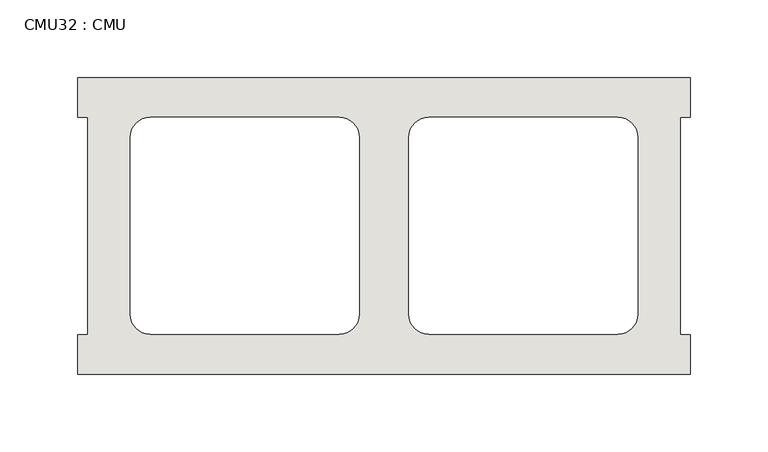
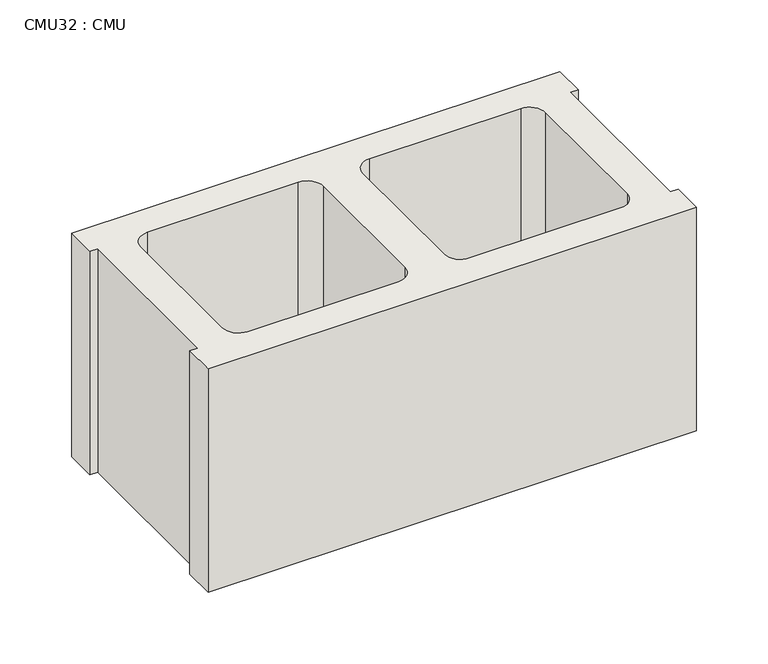
"""IFC4 building model written with IfcOpenShell, lengths in millimetres: wall geometry, CMU32 : CMU."""

from ifc_helpers import new_model, si_unit, point, frame, frame_2d, origin, place, context, project, spatial, polyline, circle_curve, trimmed, segment, composite_curve, outline, extrude, source, transform, mapped, element, save


def cmu32_cmu_e3f23cff(model_context):
    return source(origin(), model_context, "Body", "SweptSolid", [
        extrude(outline(polyline([(-51.0939032, 2871.3003704), (342.6060968, 2871.3003704), (342.6060968, 2845.9003704), (336.2560968, 2845.9003704), (336.2560968, 2706.2003704), (342.6060968, 2706.2003704), (342.6060968, 2680.8003704), (-51.0939032, 2680.8003704), (-51.0939032, 2706.2003704), (-44.7439032, 2706.2003704), (-44.7439032, 2845.9003704), (-51.0939032, 2845.9003704), (-51.0939032, 2871.3003704)]), holes=[composite_curve([segment(polyline([(117.0740955, 2845.9003704), (-4.6425546, 2845.9003704)]), True, "CONTINUOUS"), segment(trimmed(circle_curve(frame_2d((-4.6425546, 2833.2003704)), 12.7), [point((-4.6425546, 2845.9003704))], [point((-17.3425546, 2833.2003704))], True, "CARTESIAN"), True, "CONTINUOUS"), segment(polyline([(-17.3425546, 2833.2003704), (-17.3425546, 2719.1345307)]), True, "CONTINUOUS"), segment(trimmed(circle_curve(frame_2d((-4.6425546, 2719.1345307)), 12.7), [point((-17.3425546, 2719.1345307))], [point((-4.6425546, 2706.4345307))], True, "CARTESIAN"), True, "CONTINUOUS"), segment(polyline([(-4.6425546, 2706.4345307), (117.0740955, 2706.4345307)]), True, "CONTINUOUS"), segment(trimmed(circle_curve(frame_2d((117.0740955, 2719.1345307)), 12.7), [point((117.0740955, 2706.4345307))], [point((129.7740955, 2719.1345307))], True, "CARTESIAN"), True, "CONTINUOUS"), segment(polyline([(129.7740955, 2719.1345307), (129.7740955, 2833.2003704)]), True, "CONTINUOUS"), segment(trimmed(circle_curve(frame_2d((117.0740955, 2833.2003704)), 12.7), [point((129.7740955, 2833.2003704))], [point((117.0740955, 2845.9003704))], True, "CARTESIAN"), True, "CONTINUOUS")], self_intersect=False), composite_curve([segment(trimmed(circle_curve(frame_2d((174.4380982, 2833.2003704)), 12.7), [point((174.4380982, 2845.9003704))], [point((161.7380982, 2833.2003704))], True, "CARTESIAN"), True, "CONTINUOUS"), segment(polyline([(161.7380982, 2833.2003704), (161.7380982, 2719.1345307)]), True, "CONTINUOUS"), segment(trimmed(circle_curve(frame_2d((174.4380982, 2719.1345307)), 12.7), [point((161.7380982, 2719.1345307))], [point((174.4380982, 2706.4345307))], True, "CARTESIAN"), True, "CONTINUOUS"), segment(polyline([(174.4380982, 2706.4345307), (296.1547483, 2706.4345307)]), True, "CONTINUOUS"), segment(trimmed(circle_curve(frame_2d((296.1547483, 2719.1345307)), 12.7), [point((296.1547483, 2706.4345307))], [point((308.8547483, 2719.1345307))], True, "CARTESIAN"), True, "CONTINUOUS"), segment(polyline([(308.8547483, 2719.1345307), (308.8547483, 2833.2003704)]), True, "CONTINUOUS"), segment(trimmed(circle_curve(frame_2d((296.1547483, 2833.2003704)), 12.7), [point((308.8547483, 2833.2003704))], [point((296.1547483, 2845.9003704))], True, "CARTESIAN"), True, "CONTINUOUS"), segment(polyline([(296.1547483, 2845.9003704), (174.4380982, 2845.9003704)]), True, "CONTINUOUS")], self_intersect=False)]), frame((0.0, 0.0, 203.2), z_axis=(0.0, 0.0, 1.0), x_axis=(1.0, 0.0, 0.0)), (0.0, 0.0, 1.0), 190.5),
    ])


if __name__ == "__main__":
    model = new_model("IFC4")
    model_context = context("Model", 3, world=origin())
    ifc_project = project(units=[si_unit("LENGTHUNIT", "METRE", prefix="MILLI")], contexts=[model_context])
    site = spatial("IfcSite", under=ifc_project)
    building = spatial("IfcBuilding", under=site)
    placement = place(None, origin())
    cmu32_cmu_shape = cmu32_cmu_e3f23cff(model_context)
    element("IfcWall", 1, ObjectType="CMU32 : CMU", at=placement, inside=building, context=model_context, shape_type="MappedRepresentation", body=[
        mapped(cmu32_cmu_shape, transform((0.0, 0.0, 0.0), x_axis=(1.0, 0.0, 0.0), y_axis=(0.0, 1.0, 0.0), z_axis=(0.0, 0.0, 1.0))),
    ])
    save(model, "model.ifc")
